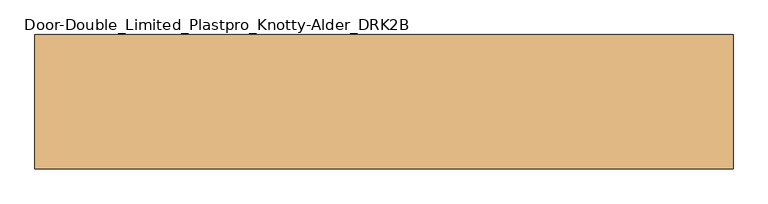
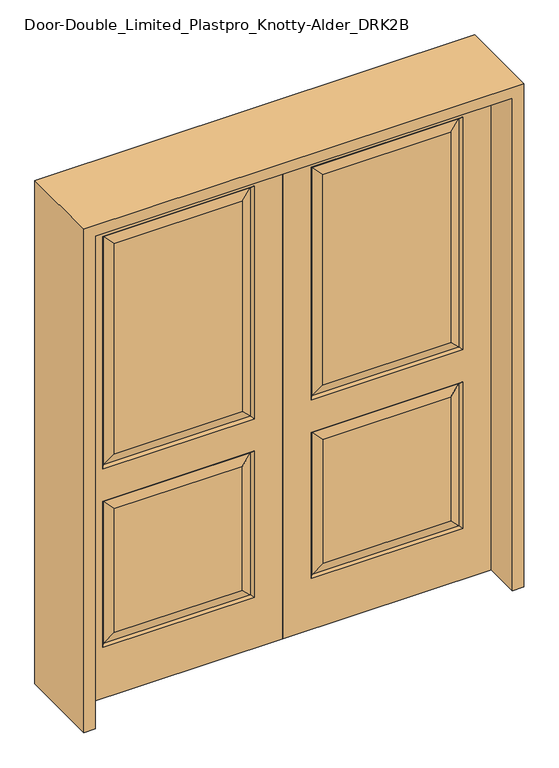
"""IFC4 building model written with IfcOpenShell, lengths in millimetres: door geometry, Door-Double_Limited_Plastpro_Knotty-Alder_DRK2B."""

import ifcopenshell
import ifcopenshell.guid

model = None  # the IFC model being written
_history = None  # IfcOwnerHistory: only IFC2X3 demands one
_inside = {}  # id of a spatial element -> (the spatial element, [elements in it])
_under = {}  # id of a project, library or spatial element -> (it, [spatial elements below it])
_declared = {}  # id of a project -> (the project, [libraries it declares])
_typed = {}  # id of a type object -> (the type object, [elements of that type])
_made_of = {}  # id of a material, layer set ... -> (it, [elements and type objects made of it])


def new_model(schema):
    """Start an empty IFC model of exactly this schema.

    Asked for "IFC4X3", IfcOpenShell would pick the latest addendum, in which some entities
    have other attributes; the version numbers below select the first issue.
    IFC2X3 requires an IfcOwnerHistory on every rooted entity: one is made here for all.
    """
    global model, _history
    if schema == "IFC4X3":
        model = ifcopenshell.file(schema_version=(4, 3, 0, 0))
    else:
        model = ifcopenshell.file(schema=schema)
    _inside.clear()
    _under.clear()
    _declared.clear()
    _typed.clear()
    _made_of.clear()
    _history = None
    if model.schema == "IFC2X3":
        org = make("IfcOrganization", Name="unknown")
        user = make(
            "IfcPersonAndOrganization",
            ThePerson=make("IfcPerson", FamilyName="unknown"),
            TheOrganization=org,
        )
        app = make(
            "IfcApplication",
            ApplicationDeveloper=org,
            Version="unknown",
            ApplicationFullName="unknown",
            ApplicationIdentifier="unknown",
        )
        _history = make(
            "IfcOwnerHistory",
            OwningUser=user,
            OwningApplication=app,
            ChangeAction="ADDED",
            CreationDate=0,
        )
    return model


def make(cls, **values):
    """One entity of the class cls with the attributes given. An attribute that is None is left unset."""
    return model.create_entity(
        cls, **{name: value for name, value in values.items() if value is not None}
    )


def rooted(cls, **values):
    """An entity with a GlobalId (a new one), such as an element, a storey or a relation."""
    return make(cls, GlobalId=ifcopenshell.guid.new(), OwnerHistory=_history, **values)


def si_unit(unit_type, name, prefix=None):
    """IfcSIUnit, for example si_unit("LENGTHUNIT", "METRE", prefix="MILLI")."""
    return make("IfcSIUnit", UnitType=unit_type, Prefix=prefix, Name=name)


def assignment(units):
    """IfcUnitAssignment: the units of a project."""
    return None if units is None else make("IfcUnitAssignment", Units=units)


def point(xyz):
    """IfcCartesianPoint."""
    return None if xyz is None else make("IfcCartesianPoint", Coordinates=xyz)


def direction(xyz):
    """IfcDirection."""
    return None if xyz is None else make("IfcDirection", DirectionRatios=xyz)


def frame(location, z_axis=None, x_axis=None):
    """IfcAxis2Placement3D, a coordinate frame: its origin and axes. An axis left out is left unset."""
    return make(
        "IfcAxis2Placement3D",
        Location=point(location),
        Axis=direction(z_axis),
        RefDirection=direction(x_axis),
    )


def origin():
    """The frame at (0, 0, 0) with its axes left unset."""
    return frame((0.0, 0.0, 0.0))


def place(relative_to, where):
    """IfcLocalPlacement: puts the frame where relative to a parent placement (None: the world)."""
    return make(
        "IfcLocalPlacement", PlacementRelTo=relative_to, RelativePlacement=where
    )


def context(
    kind, dimensions, precision=None, world=None, true_north=None, identifier=None
):
    """IfcGeometricRepresentationContext, for example the 3D "Model" context."""
    return make(
        "IfcGeometricRepresentationContext",
        ContextIdentifier=identifier,
        ContextType=kind,
        CoordinateSpaceDimension=dimensions,
        Precision=precision,
        WorldCoordinateSystem=world,
        TrueNorth=true_north,
    )


def project(units=None, contexts=None):
    """IfcProject with its units and contexts."""
    return rooted(
        "IfcProject",
        Name="project",
        RepresentationContexts=contexts,
        UnitsInContext=assignment(units),
    )


def spatial(cls, under=None, at=None, **own):
    """A site, building, storey or space (cls), placed at a placement, below another one or the project."""
    s = rooted(cls, ObjectPlacement=at, **own)
    if under is not None:
        _under.setdefault(under.id(), (under, []))[1].append(s)
    return s


def polyline(points):
    """IfcPolyline through the points."""
    return make("IfcPolyline", Points=[point(p) for p in points])


def outline(outer, holes=None, kind="AREA"):
    """IfcArbitraryClosedProfileDef: a profile drawn as a closed curve; with holes, ...WithVoids."""
    if holes is None:
        return make("IfcArbitraryClosedProfileDef", ProfileType=kind, OuterCurve=outer)
    return make(
        "IfcArbitraryProfileDefWithVoids",
        ProfileType=kind,
        OuterCurve=outer,
        InnerCurves=holes,
    )


def extrude(swept, where, along, depth):
    """IfcExtrudedAreaSolid: the profile swept, set in the frame where, extruded along a direction by depth."""
    return make(
        "IfcExtrudedAreaSolid",
        SweptArea=swept,
        Position=where,
        ExtrudedDirection=direction(along),
        Depth=depth,
    )


def faces_of(points, faces, orient=None, outer=None):
    """IfcFace entities. A face is a list of loops; a loop is a list of indices into points, from 0.

    orient and outer hold one flag for each loop. By default every Orientation is true, the
    first loop of a face is its IfcFaceOuterBound and the others are IfcFaceBound.
    """
    made = []
    for i, loops in enumerate(faces):
        bounds = []
        for j, loop in enumerate(loops):
            is_outer = j == 0 if outer is None else outer[i][j]
            bounds.append(
                make(
                    "IfcFaceOuterBound" if is_outer else "IfcFaceBound",
                    Bound=make("IfcPolyLoop", Polygon=[points[k] for k in loop]),
                    Orientation=True if orient is None else orient[i][j],
                )
            )
        made.append(make("IfcFace", Bounds=bounds))
    return made


def faceted_brep(points, faces, orient=None, outer=None, voids=None):
    """IfcFacetedBrep: a solid bounded by flat faces; with voids (closed shells), ...WithVoids."""
    shared = [point(p) for p in points]
    hull = make("IfcClosedShell", CfsFaces=faces_of(shared, faces, orient, outer))
    if voids is None:
        return make("IfcFacetedBrep", Outer=hull)
    return make(
        "IfcFacetedBrepWithVoids",
        Outer=hull,
        Voids=[
            make(cls, CfsFaces=faces_of(shared, fs, o, b)) for cls, fs, o, b in voids
        ],
    )


def shape(context_of_items, identifier, shape_type, items):
    """IfcShapeRepresentation: the items that make up one representation, for example the "Body"."""
    return make(
        "IfcShapeRepresentation",
        ContextOfItems=context_of_items,
        RepresentationIdentifier=identifier,
        RepresentationType=shape_type,
        Items=items,
    )


def source(mapping_origin, context_of_items, identifier, shape_type, items):
    """IfcRepresentationMap: a shape defined once, which mapped items show again and again."""
    return make(
        "IfcRepresentationMap",
        MappingOrigin=mapping_origin,
        MappedRepresentation=shape(context_of_items, identifier, shape_type, items),
    )


def transform(
    local_origin,
    x_axis=None,
    y_axis=None,
    z_axis=None,
    scale=None,
    scale2=None,
    scale3=None,
    uniform=True,
):
    """IfcCartesianTransformationOperator3D, or its non-uniform kind. x_axis, y_axis, z_axis: its Axis1, 2, 3."""
    if uniform:
        return make(
            "IfcCartesianTransformationOperator3D",
            Axis1=direction(x_axis),
            Axis2=direction(y_axis),
            LocalOrigin=point(local_origin),
            Scale=scale,
            Axis3=direction(z_axis),
        )
    return make(
        "IfcCartesianTransformationOperator3DnonUniform",
        Axis1=direction(x_axis),
        Axis2=direction(y_axis),
        LocalOrigin=point(local_origin),
        Scale=scale,
        Axis3=direction(z_axis),
        Scale2=scale2,
        Scale3=scale3,
    )


def mapped(mapping_source, mapping_target):
    """IfcMappedItem: shows the shape of a source again, moved by a transform."""
    return make(
        "IfcMappedItem", MappingSource=mapping_source, MappingTarget=mapping_target
    )


def made_of(thing, what):
    """Note that an element or type object is made of a material, layer set ...; save() writes the relation."""
    if what is not None:
        _made_of.setdefault(what.id(), (what, []))[1].append(thing)
    return thing


def element(
    cls,
    number,
    at=None,
    inside=None,
    cuts=None,
    type_object=None,
    material=None,
    context=None,
    identifier="Body",
    shape_type=None,
    held_by="IfcProductDefinitionShape",
    body=None,
    shapes=None,
    **own,
):
    """One element of the class cls, such as IfcWall. Its Tag is "e" and its number.

    at: its placement. inside: the storey or other place that contains it. cuts: it is an
    opening in that element (IfcRelVoidsElement). A single representation is given by context,
    identifier, shape_type and body (its items); several are given by shapes. held_by: the class
    of the entity that holds the representations. save() writes the other relations.
    """
    e = rooted(cls, Tag="e%d" % number, ObjectPlacement=at, **own)
    if body is not None:
        shapes = [shape(context, identifier, shape_type, body)]
    if shapes is not None:
        e.Representation = make(held_by, Representations=shapes)
    if inside is not None:
        _inside.setdefault(inside.id(), (inside, []))[1].append(e)
    if cuts is not None:
        rooted(
            "IfcRelVoidsElement", RelatingBuildingElement=cuts, RelatedOpeningElement=e
        )
    if type_object is not None:
        _typed.setdefault(type_object.id(), (type_object, []))[1].append(e)
    return made_of(e, material)


def aggregate(whole, parts):
    """IfcRelAggregates: a whole, such as a stair, and the parts it consists of."""
    return rooted("IfcRelAggregates", RelatingObject=whole, RelatedObjects=parts)


def save(model, path):
    """Write the relations noted so far, then the file.

    IfcRelAggregates (storeys below a building ...), IfcRelContainedInSpatialStructure (elements
    in a storey), IfcRelDefinesByType, IfcRelAssociatesMaterial and IfcRelDeclares: one each for
    every whole, place, type object, material and project.
    """
    for whole, parts in _under.values():
        aggregate(whole, parts)
    for where, things in _inside.values():
        rooted(
            "IfcRelContainedInSpatialStructure",
            RelatedElements=things,
            RelatingStructure=where,
        )
    for kind, things in _typed.values():
        rooted("IfcRelDefinesByType", RelatedObjects=things, RelatingType=kind)
    for what, things in _made_of.values():
        rooted("IfcRelAssociatesMaterial", RelatedObjects=things, RelatingMaterial=what)
    for by, libraries in _declared.values():
        rooted("IfcRelDeclares", RelatingContext=by, RelatedDefinitions=libraries)
    model.write(path)


def door_double_limited_plastpro_knotty_alder_drk2b_42c6f4ba(model_context):
    return source(origin(), model_context, "Body", "SolidModel", [
        faceted_brep([(692.6947439, 13.2447439, 1896.0197439), (655.6375, 22.225, 1858.9625), (157.1625, 22.225, 1858.9625), (120.1052561, 13.2447439, 1896.0197439), (0.0, 22.225, 0.0), (812.8, 22.225, 0.0), (812.8, -22.225, 0.0), (0.0, -22.225, 0.0), (120.1052561, 13.2447439, 803.8197439), (111.125, 22.225, 812.8), (701.675, 22.225, 812.8), (692.6947439, 13.2447439, 803.8197439), (120.1052561, -13.2447439, 955.1302561), (111.125, -22.225, 946.15), (701.675, -22.225, 946.15), (692.6947439, -13.2447439, 955.1302561), (701.675, -22.225, 1905.0), (692.6947439, -13.2447439, 1896.0197439), (120.1052561, -13.2447439, 218.5302561), (111.125, -22.225, 209.55), (701.675, -22.225, 209.55), (692.6947439, -13.2447439, 218.5302561), (701.675, -22.225, 812.8), (111.125, -22.225, 812.8), (120.1052561, -13.2447439, 803.8197439), (692.6947439, -13.2447439, 803.8197439), (157.1625, -22.225, 255.5875), (157.1625, -22.225, 766.7625), (655.6375, -22.225, 766.7625), (111.125, 22.225, 1905.0), (701.675, 22.225, 1905.0), (0.0, 22.225, 2032.0), (0.0, -22.225, 2032.0), (655.6375, -22.225, 992.1875), (655.6375, -22.225, 1858.9625), (157.1625, -22.225, 1858.9625), (157.1625, -22.225, 992.1875), (812.8, -22.225, 2032.0), (111.125, -22.225, 1905.0), (655.6375, -22.225, 255.5875), (812.8, 22.225, 2032.0), (111.125, 22.225, 946.15), (701.675, 22.225, 946.15), (111.125, 22.225, 209.55), (701.675, 22.225, 209.55), (655.6375, 22.225, 992.1875), (157.1625, 22.225, 992.1875), (655.6375, 22.225, 766.7625), (655.6375, 22.225, 255.5875), (157.1625, 22.225, 255.5875), (157.1625, 22.225, 766.7625), (692.6947439, 13.2447439, 955.1302561), (120.1052561, 13.2447439, 955.1302561), (692.6947439, 13.2447439, 218.5302561), (120.1052561, 13.2447439, 218.5302561), (120.1052561, -13.2447439, 1896.0197439)], [[[0, 1, 2, 3]], [[4, 5, 6, 7]], [[8, 9, 10, 11]], [[12, 13, 14, 15]], [[14, 16, 17, 15]], [[18, 19, 20, 21]], [[22, 23, 24, 25]], [[26, 27, 24, 18]], [[25, 24, 27, 28]], [[3, 29, 30, 0]], [[31, 4, 7, 32]], [[33, 34, 35, 36]], [[32, 7, 6, 37], [13, 38, 16, 14], [19, 23, 22, 20]], [[39, 28, 27, 26]], [[37, 6, 5, 40]], [[40, 5, 4, 31], [29, 41, 42, 30], [9, 43, 44, 10]], [[1, 45, 46, 2]], [[47, 48, 49, 50]], [[30, 42, 51, 0]], [[42, 41, 52, 51]], [[3, 52, 41, 29]], [[2, 46, 52, 3]], [[51, 52, 46, 45]], [[0, 51, 45, 1]], [[10, 44, 53, 11]], [[44, 43, 54, 53]], [[8, 54, 43, 9]], [[11, 47, 50, 8]], [[50, 49, 54, 8]], [[53, 54, 49, 48]], [[11, 53, 48, 47]], [[12, 55, 38, 13]], [[15, 33, 36, 12]], [[36, 35, 55, 12]], [[15, 17, 34, 33]], [[20, 22, 25, 21]], [[18, 24, 23, 19]], [[21, 39, 26, 18]], [[21, 25, 28, 39]], [[31, 32, 37, 40]], [[16, 38, 55, 17]], [[17, 55, 35, 34]]]),
        faceted_brep([(-692.6947439, 13.2447439, 1896.0197439), (-120.1052561, 13.2447439, 1896.0197439), (-157.1625, 22.225, 1858.9625), (-655.6375, 22.225, 1858.9625), (0.0, 22.225, 0.0), (0.0, -22.225, 0.0), (-812.8, -22.225, 0.0), (-812.8, 22.225, 0.0), (-120.1052561, 13.2447439, 803.8197439), (-692.6947439, 13.2447439, 803.8197439), (-701.675, 22.225, 812.8), (-111.125, 22.225, 812.8), (-120.1052561, -13.2447439, 955.1302561), (-692.6947439, -13.2447439, 955.1302561), (-701.675, -22.225, 946.15), (-111.125, -22.225, 946.15), (-692.6947439, -13.2447439, 1896.0197439), (-701.675, -22.225, 1905.0), (-120.1052561, -13.2447439, 218.5302561), (-692.6947439, -13.2447439, 218.5302561), (-701.675, -22.225, 209.55), (-111.125, -22.225, 209.55), (-701.675, -22.225, 812.8), (-692.6947439, -13.2447439, 803.8197439), (-120.1052561, -13.2447439, 803.8197439), (-111.125, -22.225, 812.8), (-157.1625, -22.225, 255.5875), (-157.1625, -22.225, 766.7625), (-655.6375, -22.225, 766.7625), (-701.675, 22.225, 1905.0), (-111.125, 22.225, 1905.0), (0.0, 22.225, 2032.0), (0.0, -22.225, 2032.0), (-655.6375, -22.225, 255.5875), (-812.8, -22.225, 2032.0), (-111.125, -22.225, 1905.0), (-655.6375, -22.225, 992.1875), (-157.1625, -22.225, 992.1875), (-157.1625, -22.225, 1858.9625), (-655.6375, -22.225, 1858.9625), (-812.8, 22.225, 2032.0), (-655.6375, 22.225, 766.7625), (-157.1625, 22.225, 766.7625), (-157.1625, 22.225, 255.5875), (-655.6375, 22.225, 255.5875), (-701.675, 22.225, 209.55), (-111.125, 22.225, 209.55), (-701.675, 22.225, 946.15), (-111.125, 22.225, 946.15), (-157.1625, 22.225, 992.1875), (-655.6375, 22.225, 992.1875), (-692.6947439, 13.2447439, 955.1302561), (-120.1052561, 13.2447439, 955.1302561), (-692.6947439, 13.2447439, 218.5302561), (-120.1052561, 13.2447439, 218.5302561), (-120.1052561, -13.2447439, 1896.0197439)], [[[0, 1, 2, 3]], [[4, 5, 6, 7]], [[8, 9, 10, 11]], [[12, 13, 14, 15]], [[14, 13, 16, 17]], [[18, 19, 20, 21]], [[22, 23, 24, 25]], [[26, 18, 24, 27]], [[23, 28, 27, 24]], [[1, 0, 29, 30]], [[31, 32, 5, 4]], [[33, 26, 27, 28]], [[32, 34, 6, 5], [21, 20, 22, 25], [15, 14, 17, 35]], [[36, 37, 38, 39]], [[34, 40, 7, 6]], [[41, 42, 43, 44]], [[40, 31, 4, 7], [11, 10, 45, 46], [30, 29, 47, 48]], [[3, 2, 49, 50]], [[29, 0, 51, 47]], [[47, 51, 52, 48]], [[1, 30, 48, 52]], [[2, 1, 52, 49]], [[51, 50, 49, 52]], [[0, 3, 50, 51]], [[10, 9, 53, 45]], [[45, 53, 54, 46]], [[8, 11, 46, 54]], [[9, 8, 42, 41]], [[42, 8, 54, 43]], [[53, 44, 43, 54]], [[9, 41, 44, 53]], [[12, 15, 35, 55]], [[13, 12, 37, 36]], [[37, 12, 55, 38]], [[13, 36, 39, 16]], [[20, 19, 23, 22]], [[18, 21, 25, 24]], [[19, 18, 26, 33]], [[19, 33, 28, 23]], [[31, 40, 34, 32]], [[17, 16, 55, 35]], [[16, 39, 38, 55]]]),
        extrude(outline(polyline([(2076.45, -857.25), (0.0, -857.25), (0.0, -812.8), (2032.0, -812.8), (2032.0, 812.8), (0.0, 812.8), (0.0, 857.25), (2076.45, 857.25), (2076.45, -857.25)])), frame((0.0, -165.1, 0.0), z_axis=(0.0, 1.0, 0.0), x_axis=(0.0, 0.0, 1.0)), (0.0, 0.0, 1.0), 330.2),
    ])


if __name__ == "__main__":
    model = new_model("IFC4")
    model_context = context("Model", 3, world=origin())
    ifc_project = project(units=[si_unit("LENGTHUNIT", "METRE", prefix="MILLI")], contexts=[model_context])
    site = spatial("IfcSite", under=ifc_project)
    building = spatial("IfcBuilding", under=site)
    placement = place(None, origin())
    door_double_limited_plastpro_knotty_alder_drk2b_shape = door_double_limited_plastpro_knotty_alder_drk2b_42c6f4ba(model_context)
    element("IfcDoor", 1, ObjectType="Door-Double_Limited_Plastpro_Knotty-Alder_DRK2B", at=placement, inside=building, context=model_context, shape_type="MappedRepresentation", body=[
        mapped(door_double_limited_plastpro_knotty_alder_drk2b_shape, transform((0.0, 0.0, 0.0), x_axis=(1.0, 0.0, 0.0), y_axis=(0.0, 1.0, 0.0), z_axis=(0.0, 0.0, 1.0))),
    ])
    save(model, "model.ifc")
